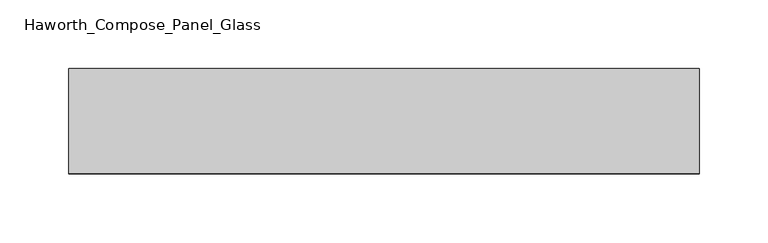
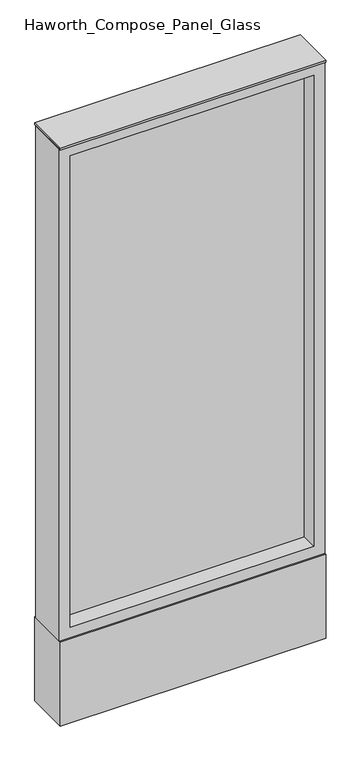
"""IFC4 building model written with IfcOpenShell, lengths in millimetres: furniture geometry, Haworth_Compose_Panel_Glass."""

from ifc_helpers import new_model, si_unit, point, frame, frame_2d, origin, origin_with_axes, place, context, project, spatial, polyline, circle_curve, trimmed, segment, composite_curve, outline, extrude, source, transform, mapped, element, save


def haworth_compose_panel_glass_928a8c55(model_context):
    return source(origin(), model_context, "Body", "SweptSolid", [
        extrude(outline(composite_curve([segment(trimmed(circle_curve(frame_2d((154.8402902, 0.0)), 12.7), [point((142.1402902, 0.0))], [point((167.5402902, 0.0))], False, "CARTESIAN"), True, "CONTINUOUS"), segment(trimmed(circle_curve(frame_2d((154.8402902, 0.0)), 12.7), [point((167.5402902, 0.0))], [point((142.1402902, 0.0))], False, "CARTESIAN"), True, "CONTINUOUS")], self_intersect=False)), origin_with_axes(), (0.0, 0.0, 1.0), 12.7),
        extrude(outline(composite_curve([segment(trimmed(circle_curve(frame_2d((-149.9597098, 0.0)), 12.7), [point((-162.6597098, 0.0))], [point((-137.2597098, 0.0))], False, "CARTESIAN"), True, "CONTINUOUS"), segment(trimmed(circle_curve(frame_2d((-149.9597098, 0.0)), 12.7), [point((-137.2597098, 0.0))], [point((-162.6597098, 0.0))], False, "CARTESIAN"), True, "CONTINUOUS")], self_intersect=False)), origin_with_axes(), (0.0, 0.0, 1.0), 12.7),
        extrude(outline(polyline([(211.9902902, -6.35), (-207.1097098, -6.35), (-207.1097098, 6.35), (211.9902902, 6.35), (211.9902902, -6.35)])), frame((0.0, 0.0, 184.15), z_axis=(0.0, 0.0, 1.0), x_axis=(1.0, 0.0, 0.0)), (0.0, 0.0, 1.0), 857.25),
        extrude(outline(polyline([(1060.45, -226.1597098), (165.1, -226.1597098), (165.1, 231.0402902), (1060.45, 231.0402902), (1060.45, -226.1597098)]), holes=[polyline([(1041.4, 211.9902902), (184.15, 211.9902902), (184.15, -207.1097098), (1041.4, -207.1097098), (1041.4, 211.9902902)])]), frame((0.0, -34.925, 0.0), z_axis=(0.0, 1.0, 0.0), x_axis=(0.0, 0.0, 1.0)), (0.0, 0.0, 1.0), 69.85),
        extrude(outline(polyline([(-226.1597098, 38.1), (231.0402902, 38.1), (231.0402902, -38.1), (-226.1597098, -38.1), (-226.1597098, 38.1)])), frame((0.0, 0.0, 12.7), z_axis=(0.0, 0.0, 1.0), x_axis=(1.0, 0.0, 0.0)), (0.0, 0.0, 1.0), 152.4),
        extrude(outline(polyline([(-226.1597098, -38.1), (-226.1597098, 38.1), (231.0402902, 38.1), (231.0402902, -38.1), (-226.1597098, -38.1)])), frame((0.0, 0.0, 1060.45), z_axis=(0.0, 0.0, 1.0), x_axis=(1.0, 0.0, 0.0)), (0.0, 0.0, 1.0), 3.175),
    ])


if __name__ == "__main__":
    model = new_model("IFC4")
    model_context = context("Model", 3, world=origin())
    ifc_project = project(units=[si_unit("LENGTHUNIT", "METRE", prefix="MILLI")], contexts=[model_context])
    site = spatial("IfcSite", under=ifc_project)
    building = spatial("IfcBuilding", under=site)
    placement = place(None, origin())
    haworth_compose_panel_glass_shape = haworth_compose_panel_glass_928a8c55(model_context)
    element("IfcFurniture", 1, ObjectType="Haworth_Compose_Panel_Glass", at=placement, inside=building, context=model_context, shape_type="MappedRepresentation", body=[
        mapped(haworth_compose_panel_glass_shape, transform((0.0, 0.0, 0.0), x_axis=(1.0, 0.0, 0.0), y_axis=(0.0, 1.0, 0.0), z_axis=(0.0, 0.0, 1.0))),
    ])
    save(model, "model.ifc")
